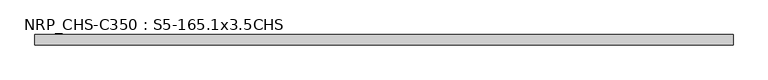
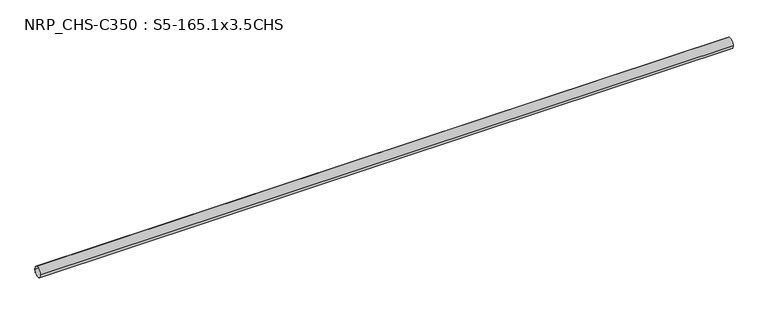
"""IFC4 building model written with IfcOpenShell, lengths in millimetres: beam geometry, NRP_CHS-C350 : S5-165.1x3.5CHS."""

import ifcopenshell
import ifcopenshell.guid

model = None  # the IFC model being written
_history = None  # IfcOwnerHistory: only IFC2X3 demands one
_inside = {}  # id of a spatial element -> (the spatial element, [elements in it])
_under = {}  # id of a project, library or spatial element -> (it, [spatial elements below it])
_declared = {}  # id of a project -> (the project, [libraries it declares])
_typed = {}  # id of a type object -> (the type object, [elements of that type])
_made_of = {}  # id of a material, layer set ... -> (it, [elements and type objects made of it])


def new_model(schema):
    """Start an empty IFC model of exactly this schema.

    Asked for "IFC4X3", IfcOpenShell would pick the latest addendum, in which some entities
    have other attributes; the version numbers below select the first issue.
    IFC2X3 requires an IfcOwnerHistory on every rooted entity: one is made here for all.
    """
    global model, _history
    if schema == "IFC4X3":
        model = ifcopenshell.file(schema_version=(4, 3, 0, 0))
    else:
        model = ifcopenshell.file(schema=schema)
    _inside.clear()
    _under.clear()
    _declared.clear()
    _typed.clear()
    _made_of.clear()
    _history = None
    if model.schema == "IFC2X3":
        org = make("IfcOrganization", Name="unknown")
        user = make(
            "IfcPersonAndOrganization",
            ThePerson=make("IfcPerson", FamilyName="unknown"),
            TheOrganization=org,
        )
        app = make(
            "IfcApplication",
            ApplicationDeveloper=org,
            Version="unknown",
            ApplicationFullName="unknown",
            ApplicationIdentifier="unknown",
        )
        _history = make(
            "IfcOwnerHistory",
            OwningUser=user,
            OwningApplication=app,
            ChangeAction="ADDED",
            CreationDate=0,
        )
    return model


def make(cls, **values):
    """One entity of the class cls with the attributes given. An attribute that is None is left unset."""
    return model.create_entity(
        cls, **{name: value for name, value in values.items() if value is not None}
    )


def rooted(cls, **values):
    """An entity with a GlobalId (a new one), such as an element, a storey or a relation."""
    return make(cls, GlobalId=ifcopenshell.guid.new(), OwnerHistory=_history, **values)


def si_unit(unit_type, name, prefix=None):
    """IfcSIUnit, for example si_unit("LENGTHUNIT", "METRE", prefix="MILLI")."""
    return make("IfcSIUnit", UnitType=unit_type, Prefix=prefix, Name=name)


def assignment(units):
    """IfcUnitAssignment: the units of a project."""
    return None if units is None else make("IfcUnitAssignment", Units=units)


def point(xyz):
    """IfcCartesianPoint."""
    return None if xyz is None else make("IfcCartesianPoint", Coordinates=xyz)


def direction(xyz):
    """IfcDirection."""
    return None if xyz is None else make("IfcDirection", DirectionRatios=xyz)


def frame(location, z_axis=None, x_axis=None):
    """IfcAxis2Placement3D, a coordinate frame: its origin and axes. An axis left out is left unset."""
    return make(
        "IfcAxis2Placement3D",
        Location=point(location),
        Axis=direction(z_axis),
        RefDirection=direction(x_axis),
    )


def frame_2d(location, x_axis=None):
    """IfcAxis2Placement2D, a coordinate frame in the plane: its origin and x axis."""
    return make(
        "IfcAxis2Placement2D", Location=point(location), RefDirection=direction(x_axis)
    )


def origin():
    """The frame at (0, 0, 0) with its axes left unset."""
    return frame((0.0, 0.0, 0.0))


def origin_2d():
    """The frame at (0, 0) in the plane with its x axis left unset."""
    return frame_2d((0.0, 0.0))


def place(relative_to, where):
    """IfcLocalPlacement: puts the frame where relative to a parent placement (None: the world)."""
    return make(
        "IfcLocalPlacement", PlacementRelTo=relative_to, RelativePlacement=where
    )


def context(
    kind, dimensions, precision=None, world=None, true_north=None, identifier=None
):
    """IfcGeometricRepresentationContext, for example the 3D "Model" context."""
    return make(
        "IfcGeometricRepresentationContext",
        ContextIdentifier=identifier,
        ContextType=kind,
        CoordinateSpaceDimension=dimensions,
        Precision=precision,
        WorldCoordinateSystem=world,
        TrueNorth=true_north,
    )


def project(units=None, contexts=None):
    """IfcProject with its units and contexts."""
    return rooted(
        "IfcProject",
        Name="project",
        RepresentationContexts=contexts,
        UnitsInContext=assignment(units),
    )


def spatial(cls, under=None, at=None, **own):
    """A site, building, storey or space (cls), placed at a placement, below another one or the project."""
    s = rooted(cls, ObjectPlacement=at, **own)
    if under is not None:
        _under.setdefault(under.id(), (under, []))[1].append(s)
    return s


def circle_curve(where, radius):
    """IfcCircle in the frame where."""
    return make("IfcCircle", Position=where, Radius=radius)


def trimmed(basis, trim1, trim2, sense, master):
    """IfcTrimmedCurve: the piece of a basis curve between two trims."""
    return make(
        "IfcTrimmedCurve",
        BasisCurve=basis,
        Trim1=trim1,
        Trim2=trim2,
        SenseAgreement=sense,
        MasterRepresentation=master,
    )


def segment(curve, same_sense, transition):
    """IfcCompositeCurveSegment."""
    return make(
        "IfcCompositeCurveSegment",
        Transition=transition,
        SameSense=same_sense,
        ParentCurve=curve,
    )


def composite_curve(segments, self_intersect=None):
    """IfcCompositeCurve: segments joined end to end."""
    return make("IfcCompositeCurve", Segments=segments, SelfIntersect=self_intersect)


def outline(outer, holes=None, kind="AREA"):
    """IfcArbitraryClosedProfileDef: a profile drawn as a closed curve; with holes, ...WithVoids."""
    if holes is None:
        return make("IfcArbitraryClosedProfileDef", ProfileType=kind, OuterCurve=outer)
    return make(
        "IfcArbitraryProfileDefWithVoids",
        ProfileType=kind,
        OuterCurve=outer,
        InnerCurves=holes,
    )


def extrude(swept, where, along, depth):
    """IfcExtrudedAreaSolid: the profile swept, set in the frame where, extruded along a direction by depth."""
    return make(
        "IfcExtrudedAreaSolid",
        SweptArea=swept,
        Position=where,
        ExtrudedDirection=direction(along),
        Depth=depth,
    )


def shape(context_of_items, identifier, shape_type, items):
    """IfcShapeRepresentation: the items that make up one representation, for example the "Body"."""
    return make(
        "IfcShapeRepresentation",
        ContextOfItems=context_of_items,
        RepresentationIdentifier=identifier,
        RepresentationType=shape_type,
        Items=items,
    )


def source(mapping_origin, context_of_items, identifier, shape_type, items):
    """IfcRepresentationMap: a shape defined once, which mapped items show again and again."""
    return make(
        "IfcRepresentationMap",
        MappingOrigin=mapping_origin,
        MappedRepresentation=shape(context_of_items, identifier, shape_type, items),
    )


def transform(
    local_origin,
    x_axis=None,
    y_axis=None,
    z_axis=None,
    scale=None,
    scale2=None,
    scale3=None,
    uniform=True,
):
    """IfcCartesianTransformationOperator3D, or its non-uniform kind. x_axis, y_axis, z_axis: its Axis1, 2, 3."""
    if uniform:
        return make(
            "IfcCartesianTransformationOperator3D",
            Axis1=direction(x_axis),
            Axis2=direction(y_axis),
            LocalOrigin=point(local_origin),
            Scale=scale,
            Axis3=direction(z_axis),
        )
    return make(
        "IfcCartesianTransformationOperator3DnonUniform",
        Axis1=direction(x_axis),
        Axis2=direction(y_axis),
        LocalOrigin=point(local_origin),
        Scale=scale,
        Axis3=direction(z_axis),
        Scale2=scale2,
        Scale3=scale3,
    )


def mapped(mapping_source, mapping_target):
    """IfcMappedItem: shows the shape of a source again, moved by a transform."""
    return make(
        "IfcMappedItem", MappingSource=mapping_source, MappingTarget=mapping_target
    )


def made_of(thing, what):
    """Note that an element or type object is made of a material, layer set ...; save() writes the relation."""
    if what is not None:
        _made_of.setdefault(what.id(), (what, []))[1].append(thing)
    return thing


def element(
    cls,
    number,
    at=None,
    inside=None,
    cuts=None,
    type_object=None,
    material=None,
    context=None,
    identifier="Body",
    shape_type=None,
    held_by="IfcProductDefinitionShape",
    body=None,
    shapes=None,
    **own,
):
    """One element of the class cls, such as IfcWall. Its Tag is "e" and its number.

    at: its placement. inside: the storey or other place that contains it. cuts: it is an
    opening in that element (IfcRelVoidsElement). A single representation is given by context,
    identifier, shape_type and body (its items); several are given by shapes. held_by: the class
    of the entity that holds the representations. save() writes the other relations.
    """
    e = rooted(cls, Tag="e%d" % number, ObjectPlacement=at, **own)
    if body is not None:
        shapes = [shape(context, identifier, shape_type, body)]
    if shapes is not None:
        e.Representation = make(held_by, Representations=shapes)
    if inside is not None:
        _inside.setdefault(inside.id(), (inside, []))[1].append(e)
    if cuts is not None:
        rooted(
            "IfcRelVoidsElement", RelatingBuildingElement=cuts, RelatedOpeningElement=e
        )
    if type_object is not None:
        _typed.setdefault(type_object.id(), (type_object, []))[1].append(e)
    return made_of(e, material)


def aggregate(whole, parts):
    """IfcRelAggregates: a whole, such as a stair, and the parts it consists of."""
    return rooted("IfcRelAggregates", RelatingObject=whole, RelatedObjects=parts)


def save(model, path):
    """Write the relations noted so far, then the file.

    IfcRelAggregates (storeys below a building ...), IfcRelContainedInSpatialStructure (elements
    in a storey), IfcRelDefinesByType, IfcRelAssociatesMaterial and IfcRelDeclares: one each for
    every whole, place, type object, material and project.
    """
    for whole, parts in _under.values():
        aggregate(whole, parts)
    for where, things in _inside.values():
        rooted(
            "IfcRelContainedInSpatialStructure",
            RelatedElements=things,
            RelatingStructure=where,
        )
    for kind, things in _typed.values():
        rooted("IfcRelDefinesByType", RelatedObjects=things, RelatingType=kind)
    for what, things in _made_of.values():
        rooted("IfcRelAssociatesMaterial", RelatedObjects=things, RelatingMaterial=what)
    for by, libraries in _declared.values():
        rooted("IfcRelDeclares", RelatingContext=by, RelatedDefinitions=libraries)
    model.write(path)


def nrp_chs_c350_s5_165_1x3_5chs_41c9a934(model_context):
    return source(origin(), model_context, "Body", "SweptSolid", [
        extrude(outline(composite_curve([segment(trimmed(circle_curve(origin_2d(), 82.55), [point((-82.55, 0.0))], [point((82.55, 0.0))], False, "CARTESIAN"), True, "CONTINUOUS"), segment(trimmed(circle_curve(origin_2d(), 82.55), [point((82.55, 0.0))], [point((-82.55, 0.0))], False, "CARTESIAN"), True, "CONTINUOUS")], self_intersect=False), holes=[composite_curve([segment(trimmed(circle_curve(origin_2d(), 79.05), [point((79.05, 0.0))], [point((-79.05, 0.0))], True, "CARTESIAN"), True, "CONTINUOUS"), segment(trimmed(circle_curve(origin_2d(), 79.05), [point((-79.05, 0.0))], [point((79.05, 0.0))], True, "CARTESIAN"), True, "CONTINUOUS")], self_intersect=False)]), frame((-5499.8, 0.0, 0.0), z_axis=(1.0, 0.0, 0.0), x_axis=(0.0, 1.0, 0.0)), (0.0, 0.0, 1.0), 11012.1),
    ])


if __name__ == "__main__":
    model = new_model("IFC4")
    model_context = context("Model", 3, world=origin())
    ifc_project = project(units=[si_unit("LENGTHUNIT", "METRE", prefix="MILLI")], contexts=[model_context])
    site = spatial("IfcSite", under=ifc_project)
    building = spatial("IfcBuilding", under=site)
    placement = place(None, origin())
    nrp_chs_c350_s5_165_1x3_5chs_shape = nrp_chs_c350_s5_165_1x3_5chs_41c9a934(model_context)
    element("IfcBeam", 1, ObjectType="NRP_CHS-C350 : S5-165.1x3.5CHS", at=placement, inside=building, context=model_context, shape_type="MappedRepresentation", body=[
        mapped(nrp_chs_c350_s5_165_1x3_5chs_shape, transform((0.0, 0.0, 0.0), x_axis=(1.0, 0.0, 0.0), y_axis=(0.0, 1.0, 0.0), z_axis=(0.0, 0.0, 1.0))),
    ])
    save(model, "model.ifc")
